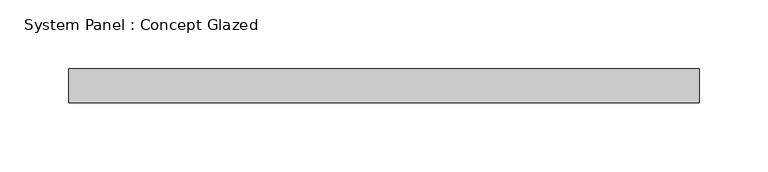
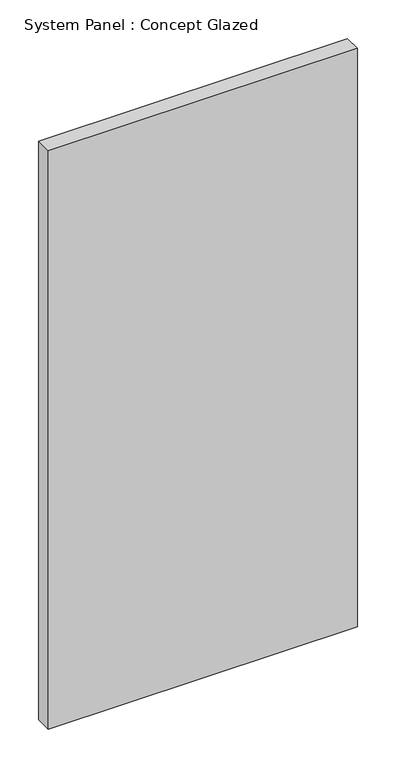
"""IFC4 building model written with IfcOpenShell, lengths in millimetres: plate geometry, System Panel : Concept Glazed."""

from ifc_helpers import new_model, si_unit, origin, origin_with_axes, place, context, project, spatial, polyline, outline, extrude, source, transform, mapped, element, save


def system_panel_concept_glazed_b08d874d(model_context):
    return source(origin(), model_context, "Body", "SweptSolid", [
        extrude(outline(polyline([(230.0, 0.0), (-230.0, 0.0), (-230.0, 25.0), (230.0, 25.0), (230.0, 0.0)])), origin_with_axes(), (0.0, 0.0, 1.0), 910.0),
    ])


if __name__ == "__main__":
    model = new_model("IFC4")
    model_context = context("Model", 3, world=origin())
    ifc_project = project(units=[si_unit("LENGTHUNIT", "METRE", prefix="MILLI")], contexts=[model_context])
    site = spatial("IfcSite", under=ifc_project)
    building = spatial("IfcBuilding", under=site)
    placement = place(None, origin())
    system_panel_concept_glazed_shape = system_panel_concept_glazed_b08d874d(model_context)
    element("IfcPlate", 1, ObjectType="System Panel : Concept Glazed", at=placement, inside=building, context=model_context, shape_type="MappedRepresentation", body=[
        mapped(system_panel_concept_glazed_shape, transform((0.0, 0.0, 0.0), x_axis=(1.0, 0.0, 0.0), y_axis=(0.0, 1.0, 0.0), z_axis=(0.0, 0.0, 1.0))),
    ])
    save(model, "model.ifc")
